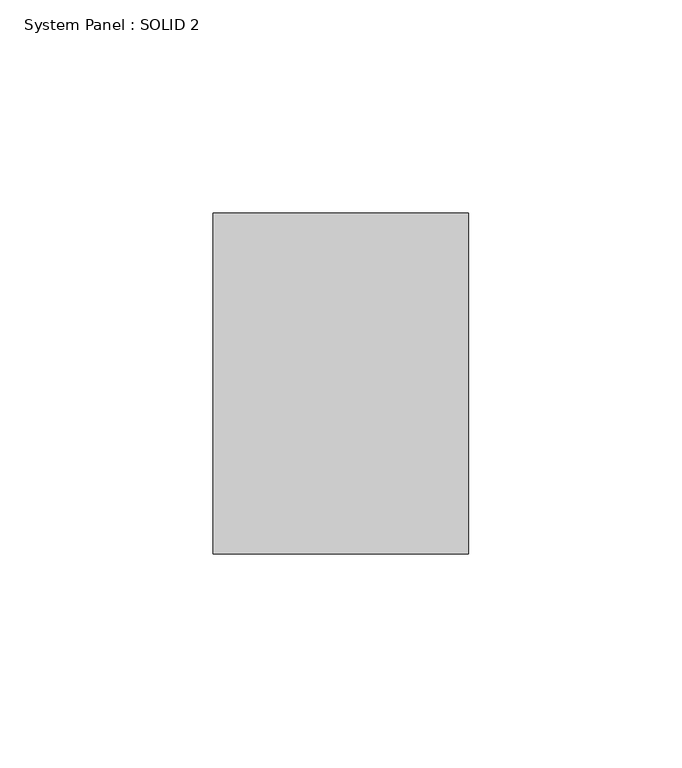
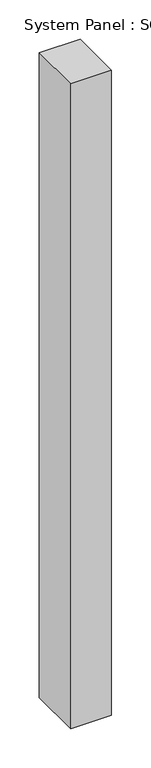
"""IFC4 building model written with IfcOpenShell, lengths in millimetres: plate geometry, System Panel : SOLID 2."""

import ifcopenshell
import ifcopenshell.guid

model = None  # the IFC model being written
_history = None  # IfcOwnerHistory: only IFC2X3 demands one
_inside = {}  # id of a spatial element -> (the spatial element, [elements in it])
_under = {}  # id of a project, library or spatial element -> (it, [spatial elements below it])
_declared = {}  # id of a project -> (the project, [libraries it declares])
_typed = {}  # id of a type object -> (the type object, [elements of that type])
_made_of = {}  # id of a material, layer set ... -> (it, [elements and type objects made of it])


def new_model(schema):
    """Start an empty IFC model of exactly this schema.

    Asked for "IFC4X3", IfcOpenShell would pick the latest addendum, in which some entities
    have other attributes; the version numbers below select the first issue.
    IFC2X3 requires an IfcOwnerHistory on every rooted entity: one is made here for all.
    """
    global model, _history
    if schema == "IFC4X3":
        model = ifcopenshell.file(schema_version=(4, 3, 0, 0))
    else:
        model = ifcopenshell.file(schema=schema)
    _inside.clear()
    _under.clear()
    _declared.clear()
    _typed.clear()
    _made_of.clear()
    _history = None
    if model.schema == "IFC2X3":
        org = make("IfcOrganization", Name="unknown")
        user = make(
            "IfcPersonAndOrganization",
            ThePerson=make("IfcPerson", FamilyName="unknown"),
            TheOrganization=org,
        )
        app = make(
            "IfcApplication",
            ApplicationDeveloper=org,
            Version="unknown",
            ApplicationFullName="unknown",
            ApplicationIdentifier="unknown",
        )
        _history = make(
            "IfcOwnerHistory",
            OwningUser=user,
            OwningApplication=app,
            ChangeAction="ADDED",
            CreationDate=0,
        )
    return model


def make(cls, **values):
    """One entity of the class cls with the attributes given. An attribute that is None is left unset."""
    return model.create_entity(
        cls, **{name: value for name, value in values.items() if value is not None}
    )


def rooted(cls, **values):
    """An entity with a GlobalId (a new one), such as an element, a storey or a relation."""
    return make(cls, GlobalId=ifcopenshell.guid.new(), OwnerHistory=_history, **values)


def si_unit(unit_type, name, prefix=None):
    """IfcSIUnit, for example si_unit("LENGTHUNIT", "METRE", prefix="MILLI")."""
    return make("IfcSIUnit", UnitType=unit_type, Prefix=prefix, Name=name)


def assignment(units):
    """IfcUnitAssignment: the units of a project."""
    return None if units is None else make("IfcUnitAssignment", Units=units)


def point(xyz):
    """IfcCartesianPoint."""
    return None if xyz is None else make("IfcCartesianPoint", Coordinates=xyz)


def direction(xyz):
    """IfcDirection."""
    return None if xyz is None else make("IfcDirection", DirectionRatios=xyz)


def frame(location, z_axis=None, x_axis=None):
    """IfcAxis2Placement3D, a coordinate frame: its origin and axes. An axis left out is left unset."""
    return make(
        "IfcAxis2Placement3D",
        Location=point(location),
        Axis=direction(z_axis),
        RefDirection=direction(x_axis),
    )


def origin():
    """The frame at (0, 0, 0) with its axes left unset."""
    return frame((0.0, 0.0, 0.0))


def origin_with_axes():
    """The frame at (0, 0, 0) with the z axis (0, 0, 1) and the x axis (1, 0, 0) written out."""
    return frame((0.0, 0.0, 0.0), z_axis=(0.0, 0.0, 1.0), x_axis=(1.0, 0.0, 0.0))


def place(relative_to, where):
    """IfcLocalPlacement: puts the frame where relative to a parent placement (None: the world)."""
    return make(
        "IfcLocalPlacement", PlacementRelTo=relative_to, RelativePlacement=where
    )


def context(
    kind, dimensions, precision=None, world=None, true_north=None, identifier=None
):
    """IfcGeometricRepresentationContext, for example the 3D "Model" context."""
    return make(
        "IfcGeometricRepresentationContext",
        ContextIdentifier=identifier,
        ContextType=kind,
        CoordinateSpaceDimension=dimensions,
        Precision=precision,
        WorldCoordinateSystem=world,
        TrueNorth=true_north,
    )


def project(units=None, contexts=None):
    """IfcProject with its units and contexts."""
    return rooted(
        "IfcProject",
        Name="project",
        RepresentationContexts=contexts,
        UnitsInContext=assignment(units),
    )


def spatial(cls, under=None, at=None, **own):
    """A site, building, storey or space (cls), placed at a placement, below another one or the project."""
    s = rooted(cls, ObjectPlacement=at, **own)
    if under is not None:
        _under.setdefault(under.id(), (under, []))[1].append(s)
    return s


def polyline(points):
    """IfcPolyline through the points."""
    return make("IfcPolyline", Points=[point(p) for p in points])


def outline(outer, holes=None, kind="AREA"):
    """IfcArbitraryClosedProfileDef: a profile drawn as a closed curve; with holes, ...WithVoids."""
    if holes is None:
        return make("IfcArbitraryClosedProfileDef", ProfileType=kind, OuterCurve=outer)
    return make(
        "IfcArbitraryProfileDefWithVoids",
        ProfileType=kind,
        OuterCurve=outer,
        InnerCurves=holes,
    )


def extrude(swept, where, along, depth):
    """IfcExtrudedAreaSolid: the profile swept, set in the frame where, extruded along a direction by depth."""
    return make(
        "IfcExtrudedAreaSolid",
        SweptArea=swept,
        Position=where,
        ExtrudedDirection=direction(along),
        Depth=depth,
    )


def shape(context_of_items, identifier, shape_type, items):
    """IfcShapeRepresentation: the items that make up one representation, for example the "Body"."""
    return make(
        "IfcShapeRepresentation",
        ContextOfItems=context_of_items,
        RepresentationIdentifier=identifier,
        RepresentationType=shape_type,
        Items=items,
    )


def source(mapping_origin, context_of_items, identifier, shape_type, items):
    """IfcRepresentationMap: a shape defined once, which mapped items show again and again."""
    return make(
        "IfcRepresentationMap",
        MappingOrigin=mapping_origin,
        MappedRepresentation=shape(context_of_items, identifier, shape_type, items),
    )


def transform(
    local_origin,
    x_axis=None,
    y_axis=None,
    z_axis=None,
    scale=None,
    scale2=None,
    scale3=None,
    uniform=True,
):
    """IfcCartesianTransformationOperator3D, or its non-uniform kind. x_axis, y_axis, z_axis: its Axis1, 2, 3."""
    if uniform:
        return make(
            "IfcCartesianTransformationOperator3D",
            Axis1=direction(x_axis),
            Axis2=direction(y_axis),
            LocalOrigin=point(local_origin),
            Scale=scale,
            Axis3=direction(z_axis),
        )
    return make(
        "IfcCartesianTransformationOperator3DnonUniform",
        Axis1=direction(x_axis),
        Axis2=direction(y_axis),
        LocalOrigin=point(local_origin),
        Scale=scale,
        Axis3=direction(z_axis),
        Scale2=scale2,
        Scale3=scale3,
    )


def mapped(mapping_source, mapping_target):
    """IfcMappedItem: shows the shape of a source again, moved by a transform."""
    return make(
        "IfcMappedItem", MappingSource=mapping_source, MappingTarget=mapping_target
    )


def made_of(thing, what):
    """Note that an element or type object is made of a material, layer set ...; save() writes the relation."""
    if what is not None:
        _made_of.setdefault(what.id(), (what, []))[1].append(thing)
    return thing


def element(
    cls,
    number,
    at=None,
    inside=None,
    cuts=None,
    type_object=None,
    material=None,
    context=None,
    identifier="Body",
    shape_type=None,
    held_by="IfcProductDefinitionShape",
    body=None,
    shapes=None,
    **own,
):
    """One element of the class cls, such as IfcWall. Its Tag is "e" and its number.

    at: its placement. inside: the storey or other place that contains it. cuts: it is an
    opening in that element (IfcRelVoidsElement). A single representation is given by context,
    identifier, shape_type and body (its items); several are given by shapes. held_by: the class
    of the entity that holds the representations. save() writes the other relations.
    """
    e = rooted(cls, Tag="e%d" % number, ObjectPlacement=at, **own)
    if body is not None:
        shapes = [shape(context, identifier, shape_type, body)]
    if shapes is not None:
        e.Representation = make(held_by, Representations=shapes)
    if inside is not None:
        _inside.setdefault(inside.id(), (inside, []))[1].append(e)
    if cuts is not None:
        rooted(
            "IfcRelVoidsElement", RelatingBuildingElement=cuts, RelatedOpeningElement=e
        )
    if type_object is not None:
        _typed.setdefault(type_object.id(), (type_object, []))[1].append(e)
    return made_of(e, material)


def aggregate(whole, parts):
    """IfcRelAggregates: a whole, such as a stair, and the parts it consists of."""
    return rooted("IfcRelAggregates", RelatingObject=whole, RelatedObjects=parts)


def save(model, path):
    """Write the relations noted so far, then the file.

    IfcRelAggregates (storeys below a building ...), IfcRelContainedInSpatialStructure (elements
    in a storey), IfcRelDefinesByType, IfcRelAssociatesMaterial and IfcRelDeclares: one each for
    every whole, place, type object, material and project.
    """
    for whole, parts in _under.values():
        aggregate(whole, parts)
    for where, things in _inside.values():
        rooted(
            "IfcRelContainedInSpatialStructure",
            RelatedElements=things,
            RelatingStructure=where,
        )
    for kind, things in _typed.values():
        rooted("IfcRelDefinesByType", RelatedObjects=things, RelatingType=kind)
    for what, things in _made_of.values():
        rooted("IfcRelAssociatesMaterial", RelatedObjects=things, RelatingMaterial=what)
    for by, libraries in _declared.values():
        rooted("IfcRelDeclares", RelatingContext=by, RelatedDefinitions=libraries)
    model.write(path)


def system_panel_solid_2_e2a8b010(model_context):
    return source(origin(), model_context, "Body", "SweptSolid", [
        extrude(outline(polyline([(30.0, 80.0), (-30.0, 80.0), (-30.0, 160.0), (30.0, 160.0), (30.0, 80.0)])), origin_with_axes(), (0.0, 0.0, 1.0), 1003.0),
    ])


if __name__ == "__main__":
    model = new_model("IFC4")
    model_context = context("Model", 3, world=origin())
    ifc_project = project(units=[si_unit("LENGTHUNIT", "METRE", prefix="MILLI")], contexts=[model_context])
    site = spatial("IfcSite", under=ifc_project)
    building = spatial("IfcBuilding", under=site)
    placement = place(None, origin())
    system_panel_solid_2_shape = system_panel_solid_2_e2a8b010(model_context)
    element("IfcPlate", 1, ObjectType="System Panel : SOLID 2", at=placement, inside=building, context=model_context, shape_type="MappedRepresentation", body=[
        mapped(system_panel_solid_2_shape, transform((0.0, 0.0, 0.0), x_axis=(1.0, 0.0, 0.0), y_axis=(0.0, 1.0, 0.0), z_axis=(0.0, 0.0, 1.0))),
    ])
    save(model, "model.ifc")
